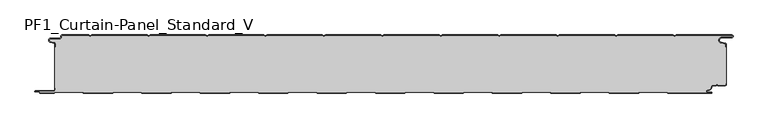
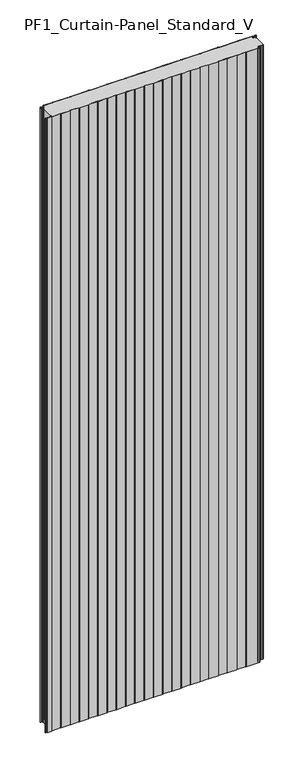
"""IFC4 building model written with IfcOpenShell, lengths in millimetres: plate geometry, PF1_Curtain-Panel_Standard_V."""

from ifc_helpers import new_model, si_unit, point, frame_2d, origin, origin_with_axes, place, context, project, spatial, polyline, circle_curve, trimmed, segment, composite_curve, outline, extrude, source, transform, mapped, element, save


def pf1_curtain_panel_standard_v_3d99085d(model_context):
    return source(origin(), model_context, "Body", "SweptSolid", [
        extrude(outline(composite_curve([segment(trimmed(circle_curve(frame_2d((-577.0, -15.878557)), 2.0), [point((-575.0, -15.878557))], [point((-576.5500978, -13.9298169))], True, "CARTESIAN"), True, "CONTINUOUS"), segment(polyline([(-576.5500978, -13.9298169), (-582.7098239, -12.507732)]), True, "CONTINUOUS"), segment(trimmed(circle_curve(frame_2d((-581.9, -9.0)), 3.6), [point((-582.7098239, -12.507732))], [point((-581.9, -5.4))], False, "CARTESIAN"), True, "CONTINUOUS"), segment(polyline([(-581.9, -5.4), (-566.4, -5.4)]), True, "CONTINUOUS"), segment(trimmed(circle_curve(frame_2d((-566.4, -3.4)), 2.0), [point((-566.4, -5.4))], [point((-564.4, -3.4))], True, "CARTESIAN"), True, "CONTINUOUS"), segment(polyline([(-564.4, -3.4), (-564.4, -2.0)]), True, "CONTINUOUS"), segment(trimmed(circle_curve(frame_2d((-562.4, -2.0)), 2.0), [point((-564.4, -2.0))], [point((-562.4, 0.0))], False, "CARTESIAN"), True, "CONTINUOUS"), segment(polyline([(-562.4, 0.0), (-517.0999995, 0.0), (-514.4, -1.5588455), (-511.7000005, 0.0), (-417.0999995, 0.0), (-414.4, -1.5588455), (-411.7000005, 0.0), (-317.0999995, 0.0), (-314.4, -1.5588455), (-311.7000005, 0.0), (-217.0999995, 0.0), (-214.4, -1.5588455), (-211.7000005, 0.0), (-117.0999995, 0.0), (-114.4, -1.5588455), (-111.7000005, 0.0), (-17.0999995, 0.0), (-14.4, -1.5588455), (-11.7000005, 0.0), (82.9000005, 0.0), (85.6, -1.5588455), (88.2999995, 0.0), (182.9000005, 0.0), (185.6, -1.5588455), (188.2999995, 0.0), (282.9000005, 0.0), (285.6, -1.5588455), (288.2999995, 0.0), (382.9000005, 0.0), (385.6, -1.5588455), (388.2999995, 0.0), (482.9000005, 0.0), (485.6, -1.5588455), (488.2999995, 0.0), (583.268846, 0.0)]), True, "CONTINUOUS"), segment(trimmed(circle_curve(frame_2d((583.268846, -2.5)), 2.5), [point((583.268846, 0.0))], [point((583.268846, -5.0))], False, "CARTESIAN"), True, "CONTINUOUS"), segment(polyline([(583.268846, -5.0), (566.268846, -5.0)]), True, "CONTINUOUS"), segment(trimmed(circle_curve(frame_2d((566.268846, -9.0)), 4.0), [point((566.268846, -5.0))], [point((565.574253, -12.939231))], True, "CARTESIAN"), True, "CONTINUOUS"), segment(polyline([(565.574253, -12.939231), (572.0203315, -14.0758491)]), True, "CONTINUOUS"), segment(trimmed(circle_curve(frame_2d((571.568846, -16.6363492)), 2.6), [point((572.0203315, -14.0758491))], [point((574.168846, -16.6363492))], False, "CARTESIAN"), True, "CONTINUOUS"), segment(polyline([(574.168846, -16.6363492), (574.168846, -20.0), (573.368846, -20.0), (573.368846, -16.6363492)]), True, "CONTINUOUS"), segment(trimmed(circle_curve(frame_2d((571.568846, -16.6363492)), 1.8), [point((573.368846, -16.6363492))], [point((571.8814129, -14.8636953))], True, "CARTESIAN"), True, "CONTINUOUS"), segment(polyline([(571.8814129, -14.8636953), (565.4353344, -13.7270772)]), True, "CONTINUOUS"), segment(trimmed(circle_curve(frame_2d((566.268846, -9.0)), 4.8), [point((565.4353344, -13.7270772))], [point((566.268846, -4.2))], False, "CARTESIAN"), True, "CONTINUOUS"), segment(polyline([(566.268846, -4.2), (583.268846, -4.2)]), True, "CONTINUOUS"), segment(trimmed(circle_curve(frame_2d((583.268846, -2.5)), 1.7), [point((583.268846, -4.2))], [point((583.268846, -0.8))], True, "CARTESIAN"), True, "CONTINUOUS"), segment(polyline([(583.268846, -0.8), (488.5143588, -0.8), (485.6, -2.482606), (482.6856412, -0.8), (388.5143588, -0.8), (385.6, -2.482606), (382.6856412, -0.8), (288.5143588, -0.8), (285.6, -2.482606), (282.6856412, -0.8), (188.5143588, -0.8), (185.6, -2.482606), (182.6856412, -0.8), (88.5143588, -0.8), (85.6, -2.482606), (82.6856412, -0.8), (-11.4856412, -0.8), (-14.4, -2.482606), (-17.3143588, -0.8), (-111.4856412, -0.8), (-114.4, -2.482606), (-117.3143588, -0.8), (-211.4856412, -0.8), (-214.4, -2.482606), (-217.3143588, -0.8), (-311.4856412, -0.8), (-314.4, -2.482606), (-317.3143588, -0.8), (-411.4856412, -0.8), (-414.4, -2.482606), (-417.3143588, -0.8), (-511.4856412, -0.8), (-514.4, -2.482606), (-517.3143588, -0.8), (-562.4, -0.8)]), True, "CONTINUOUS"), segment(trimmed(circle_curve(frame_2d((-562.4, -2.0)), 1.2), [point((-562.4, -0.8))], [point((-563.6, -2.0))], True, "CARTESIAN"), True, "CONTINUOUS"), segment(polyline([(-563.6, -2.0), (-563.6, -3.4)]), True, "CONTINUOUS"), segment(trimmed(circle_curve(frame_2d((-566.4, -3.4)), 2.8), [point((-563.6, -3.4))], [point((-566.4, -6.2))], False, "CARTESIAN"), True, "CONTINUOUS"), segment(polyline([(-566.4, -6.2), (-581.9, -6.2)]), True, "CONTINUOUS"), segment(trimmed(circle_curve(frame_2d((-581.9, -9.0)), 2.8), [point((-581.9, -6.2))], [point((-582.529863, -11.7282362))], True, "CARTESIAN"), True, "CONTINUOUS"), segment(polyline([(-582.529863, -11.7282362), (-576.370137, -13.150321)]), True, "CONTINUOUS"), segment(trimmed(circle_curve(frame_2d((-577.0, -15.878557)), 2.8), [point((-576.370137, -13.150321))], [point((-574.2, -15.878557))], False, "CARTESIAN"), True, "CONTINUOUS"), segment(polyline([(-574.2, -15.878557), (-574.2, -20.0), (-575.0, -20.0), (-575.0, -15.878557)]), True, "CONTINUOUS")], self_intersect=False)), origin_with_axes(), (0.0, 0.0, 1.0), 3500.0),
        extrude(outline(composite_curve([segment(polyline([(-574.2, -90.0), (-575.0, -90.0), (-575.0, -20.0), (-574.2, -20.0), (-574.2, -15.878557)]), True, "CONTINUOUS"), segment(trimmed(circle_curve(frame_2d((-577.0, -15.878557)), 2.8), [point((-574.2, -15.878557))], [point((-576.370137, -13.1503208))], True, "CARTESIAN"), True, "CONTINUOUS"), segment(polyline([(-576.370137, -13.1503208), (-582.529863, -11.7282362)]), True, "CONTINUOUS"), segment(trimmed(circle_curve(frame_2d((-581.9, -9.0)), 2.8), [point((-582.529863, -11.7282362))], [point((-581.9, -6.2))], False, "CARTESIAN"), True, "CONTINUOUS"), segment(polyline([(-581.9, -6.2), (-566.4, -6.2)]), True, "CONTINUOUS"), segment(trimmed(circle_curve(frame_2d((-566.4, -3.4)), 2.8), [point((-566.4, -6.2))], [point((-563.6, -3.4))], True, "CARTESIAN"), True, "CONTINUOUS"), segment(polyline([(-563.6, -3.4), (-563.6, -2.0)]), True, "CONTINUOUS"), segment(trimmed(circle_curve(frame_2d((-562.4, -2.0)), 1.2), [point((-563.6, -2.0))], [point((-562.4, -0.8))], False, "CARTESIAN"), True, "CONTINUOUS"), segment(polyline([(-562.4, -0.8), (-517.3143588, -0.8), (-514.4, -2.482606), (-511.4856412, -0.8), (-417.3143588, -0.8), (-414.4, -2.482606), (-411.4856412, -0.8), (-317.3143588, -0.8), (-314.4, -2.482606), (-311.4856412, -0.8), (-217.3143588, -0.8), (-214.4, -2.482606), (-211.4856412, -0.8), (-117.3143588, -0.8), (-114.4, -2.482606), (-111.4856412, -0.8), (-17.3143588, -0.8), (-14.4, -2.482606), (-11.4856412, -0.8), (82.6856412, -0.8), (85.6, -2.482606), (88.5143588, -0.8), (182.6856412, -0.8), (185.6, -2.482606), (188.5143588, -0.8), (282.6856412, -0.8), (285.6, -2.482606), (288.5143588, -0.8), (382.6856412, -0.8), (385.6, -2.482606), (388.5143588, -0.8), (482.6856412, -0.8), (485.6, -2.482606), (488.5143588, -0.8), (583.268846, -0.8)]), True, "CONTINUOUS"), segment(trimmed(circle_curve(frame_2d((583.268846, -2.5)), 1.7), [point((583.268846, -0.8))], [point((583.268846, -4.2))], False, "CARTESIAN"), True, "CONTINUOUS"), segment(polyline([(583.268846, -4.2), (566.268846, -4.2)]), True, "CONTINUOUS"), segment(trimmed(circle_curve(frame_2d((566.268846, -9.0)), 4.8), [point((566.268846, -4.2))], [point((565.4353344, -13.7270772))], True, "CARTESIAN"), True, "CONTINUOUS"), segment(polyline([(565.4353344, -13.7270772), (571.8814129, -14.8636953)]), True, "CONTINUOUS"), segment(trimmed(circle_curve(frame_2d((571.568846, -16.6363492)), 1.8), [point((571.8814129, -14.8636953))], [point((573.368846, -16.6363492))], False, "CARTESIAN"), True, "CONTINUOUS"), segment(polyline([(573.368846, -16.6363492), (573.368846, -20.0), (574.168846, -20.0), (574.168846, -83.0), (573.368846, -83.0), (573.368846, -84.4)]), True, "CONTINUOUS"), segment(trimmed(circle_curve(frame_2d((571.568846, -84.4)), 1.8), [point((573.368846, -84.4))], [point((571.568846, -86.2))], False, "CARTESIAN"), True, "CONTINUOUS"), segment(polyline([(571.568846, -86.2), (560.0002158, -86.2), (558.168846, -84.3686285), (556.3374762, -86.2), (550.168846, -86.2)]), True, "CONTINUOUS"), segment(trimmed(circle_curve(frame_2d((550.168846, -88.0)), 1.8), [point((550.168846, -86.2))], [point((548.368846, -88.0))], True, "CARTESIAN"), True, "CONTINUOUS"), segment(polyline([(548.368846, -88.0), (548.368846, -88.8276204)]), True, "CONTINUOUS"), segment(trimmed(circle_curve(frame_2d((542.9964664, -88.8276204)), 5.3723796), [point((548.368846, -88.8276204))], [point((542.9964664, -94.2))], False, "CARTESIAN"), True, "CONTINUOUS"), segment(polyline([(542.9964664, -94.2), (542.168846, -94.2)]), True, "CONTINUOUS"), segment(trimmed(circle_curve(frame_2d((542.168846, -96.4)), 2.2), [point((542.168846, -94.2))], [point((542.168846, -98.6))], True, "CARTESIAN"), True, "CONTINUOUS"), segment(polyline([(542.168846, -98.6), (548.0579973, -98.6)]), True, "CONTINUOUS"), segment(trimmed(circle_curve(frame_2d((548.0579973, -98.9)), 0.3), [point((548.0579973, -98.6))], [point((548.0579973, -99.2))], False, "CARTESIAN"), True, "CONTINUOUS"), segment(polyline([(548.0579973, -99.2), (474.2152562, -99.2), (471.6171786, -97.7), (426.3884624, -97.7), (423.7903848, -99.2), (374.2152562, -99.2), (371.6171786, -97.7), (326.3884624, -97.7), (323.7903848, -99.2), (274.2152562, -99.2), (271.6171786, -97.7), (226.3884624, -97.7), (223.7903848, -99.2), (174.2152562, -99.2), (171.6171786, -97.7), (126.3884624, -97.7), (123.7903848, -99.2), (74.2152562, -99.2), (71.6171786, -97.7), (26.3884624, -97.7), (23.7903848, -99.2), (-25.7847438, -99.2), (-28.3828214, -97.7), (-73.6115376, -97.7), (-76.2096152, -99.2), (-125.7847438, -99.2), (-128.3828214, -97.7), (-173.6115376, -97.7), (-176.2096152, -99.2), (-225.7847438, -99.2), (-228.3828214, -97.7), (-273.6115376, -97.7), (-276.2096152, -99.2), (-325.7847438, -99.2), (-328.3828214, -97.7), (-373.6115376, -97.7), (-376.2096152, -99.2), (-425.7847438, -99.2), (-428.3828214, -97.7), (-473.6115376, -97.7), (-476.2096152, -99.2), (-525.7847438, -99.2), (-528.3828214, -97.7), (-573.6115376, -97.7), (-576.2096152, -99.2), (-599.4, -99.2)]), True, "CONTINUOUS"), segment(trimmed(circle_curve(frame_2d((-599.4, -98.4)), 0.8), [point((-599.4, -99.2))], [point((-600.2, -98.4))], False, "CARTESIAN"), True, "CONTINUOUS"), segment(trimmed(circle_curve(frame_2d((-601.9, -98.6133333)), 1.7133333), [point((-600.2, -98.4))], [point((-601.9, -96.9))], True, "CARTESIAN"), True, "CONTINUOUS"), segment(polyline([(-601.9, -96.9), (-607.8700312, -96.9)]), True, "CONTINUOUS"), segment(trimmed(circle_curve(frame_2d((-607.8700312, -96.6)), 0.3), [point((-607.8700312, -96.9))], [point((-607.8700312, -96.3))], False, "CARTESIAN"), True, "CONTINUOUS"), segment(polyline([(-607.8700312, -96.3), (-577.0, -96.3)]), True, "CONTINUOUS"), segment(trimmed(circle_curve(frame_2d((-577.0, -93.5)), 2.8), [point((-577.0, -96.3))], [point((-574.2, -93.5))], True, "CARTESIAN"), True, "CONTINUOUS"), segment(polyline([(-574.2, -93.5), (-574.2, -90.0)]), True, "CONTINUOUS")], self_intersect=False)), origin_with_axes(), (0.0, 0.0, 1.0), 3500.0),
        extrude(outline(composite_curve([segment(polyline([(-575.0, -90.0), (-574.2, -90.0), (-574.2, -93.5)]), True, "CONTINUOUS"), segment(trimmed(circle_curve(frame_2d((-577.0, -93.5)), 2.8), [point((-574.2, -93.5))], [point((-577.0, -96.3))], False, "CARTESIAN"), True, "CONTINUOUS"), segment(polyline([(-577.0, -96.3), (-607.8700312, -96.3)]), True, "CONTINUOUS"), segment(trimmed(circle_curve(frame_2d((-607.8700312, -96.6)), 0.3), [point((-607.8700312, -96.3))], [point((-607.8700312, -96.9))], True, "CARTESIAN"), True, "CONTINUOUS"), segment(polyline([(-607.8700312, -96.9), (-601.9, -96.9)]), True, "CONTINUOUS"), segment(trimmed(circle_curve(frame_2d((-601.9, -98.6133333)), 1.7133333), [point((-601.9, -96.9))], [point((-600.2, -98.4))], False, "CARTESIAN"), True, "CONTINUOUS"), segment(trimmed(circle_curve(frame_2d((-599.4, -98.4)), 0.8), [point((-600.2, -98.4))], [point((-599.4, -99.2))], True, "CARTESIAN"), True, "CONTINUOUS"), segment(polyline([(-599.4, -99.2), (-576.2096152, -99.2), (-573.6115376, -97.7), (-528.3828214, -97.7), (-525.7847438, -99.2), (-476.2096152, -99.2), (-473.6115376, -97.7), (-428.3828214, -97.7), (-425.7847438, -99.2), (-376.2096152, -99.2), (-373.6115376, -97.7), (-328.3828214, -97.7), (-325.7847438, -99.2), (-276.2096152, -99.2), (-273.6115376, -97.7), (-228.3828214, -97.7), (-225.7847438, -99.2), (-176.2096152, -99.2), (-173.6115376, -97.7), (-128.3828214, -97.7), (-125.7847438, -99.2), (-76.2096152, -99.2), (-73.6115376, -97.7), (-28.3828214, -97.7), (-25.7847438, -99.2), (23.7903848, -99.2), (26.3884624, -97.7), (71.6171786, -97.7), (74.2152562, -99.2), (123.7903848, -99.2), (126.3884624, -97.7), (171.6171786, -97.7), (174.2152562, -99.2), (223.7903848, -99.2), (226.3884624, -97.7), (271.6171786, -97.7), (274.2152562, -99.2), (323.7903848, -99.2), (326.3884624, -97.7), (371.6171786, -97.7), (374.2152562, -99.2), (423.7903848, -99.2), (426.3884624, -97.7), (471.6171786, -97.7), (474.2152562, -99.2), (548.0579973, -99.2)]), True, "CONTINUOUS"), segment(trimmed(circle_curve(frame_2d((548.0579973, -98.9)), 0.3), [point((548.0579973, -99.2))], [point((548.0579973, -98.6))], True, "CARTESIAN"), True, "CONTINUOUS"), segment(polyline([(548.0579973, -98.6), (542.168846, -98.6)]), True, "CONTINUOUS"), segment(trimmed(circle_curve(frame_2d((542.168846, -96.4)), 2.2), [point((542.168846, -98.6))], [point((542.168846, -94.2))], False, "CARTESIAN"), True, "CONTINUOUS"), segment(polyline([(542.168846, -94.2), (542.9964664, -94.2)]), True, "CONTINUOUS"), segment(trimmed(circle_curve(frame_2d((542.9964664, -88.8276204)), 5.3723796), [point((542.9964664, -94.2))], [point((548.368846, -88.8276204))], True, "CARTESIAN"), True, "CONTINUOUS"), segment(polyline([(548.368846, -88.8276204), (548.368846, -88.0)]), True, "CONTINUOUS"), segment(trimmed(circle_curve(frame_2d((550.168846, -88.0)), 1.8), [point((548.368846, -88.0))], [point((550.168846, -86.2))], False, "CARTESIAN"), True, "CONTINUOUS"), segment(polyline([(550.168846, -86.2), (556.3374762, -86.2), (558.168846, -84.3686285), (560.0002158, -86.2), (571.568846, -86.2)]), True, "CONTINUOUS"), segment(trimmed(circle_curve(frame_2d((571.568846, -84.4)), 1.8), [point((571.568846, -86.2))], [point((573.368846, -84.4))], True, "CARTESIAN"), True, "CONTINUOUS"), segment(polyline([(573.368846, -84.4), (573.368846, -83.0), (574.168846, -83.0), (574.168846, -84.4)]), True, "CONTINUOUS"), segment(trimmed(circle_curve(frame_2d((571.568846, -84.4)), 2.6), [point((574.168846, -84.4))], [point((571.568846, -87.0))], False, "CARTESIAN"), True, "CONTINUOUS"), segment(polyline([(571.568846, -87.0), (559.6688448, -87.0), (558.168846, -85.4999999), (556.6688472, -87.0), (550.168846, -87.0)]), True, "CONTINUOUS"), segment(trimmed(circle_curve(frame_2d((550.168846, -88.0)), 1.0), [point((550.168846, -87.0))], [point((549.168846, -88.0))], True, "CARTESIAN"), True, "CONTINUOUS"), segment(polyline([(549.168846, -88.0), (549.168846, -88.8276204)]), True, "CONTINUOUS"), segment(trimmed(circle_curve(frame_2d((542.9964664, -88.8276204)), 6.1723796), [point((549.168846, -88.8276204))], [point((542.9964664, -95.0))], False, "CARTESIAN"), True, "CONTINUOUS"), segment(polyline([(542.9964664, -95.0), (542.168846, -95.0)]), True, "CONTINUOUS"), segment(trimmed(circle_curve(frame_2d((542.168846, -96.5)), 1.5), [point((542.168846, -95.0))], [point((542.168846, -98.0))], True, "CARTESIAN"), True, "CONTINUOUS"), segment(polyline([(542.168846, -98.0), (548.168846, -98.0)]), True, "CONTINUOUS"), segment(trimmed(circle_curve(frame_2d((548.168846, -99.0)), 1.0), [point((548.168846, -98.0))], [point((548.168846, -100.0))], False, "CARTESIAN"), True, "CONTINUOUS"), segment(polyline([(548.168846, -100.0), (474.0008969, -100.0), (471.4028193, -98.5), (426.6028217, -98.5), (424.0047441, -100.0), (374.0008969, -100.0), (371.4028193, -98.5), (326.6028217, -98.5), (324.0047441, -100.0), (274.0008969, -100.0), (271.4028193, -98.5), (226.6028217, -98.5), (224.0047441, -100.0), (174.0008969, -100.0), (171.4028193, -98.5), (126.6028217, -98.5), (124.0047441, -100.0), (74.0008969, -100.0), (71.4028193, -98.5), (26.6028217, -98.5), (24.0047441, -100.0), (-25.9991031, -100.0), (-28.5971807, -98.5), (-73.3971783, -98.5), (-75.9952559, -100.0), (-125.9991031, -100.0), (-128.5971807, -98.5), (-173.3971783, -98.5), (-175.9952559, -100.0), (-225.9991031, -100.0), (-228.5971807, -98.5), (-273.3971783, -98.5), (-275.9952559, -100.0), (-325.9991031, -100.0), (-328.5971807, -98.5), (-373.3971783, -98.5), (-375.9952559, -100.0), (-425.9991031, -100.0), (-428.5971807, -98.5), (-473.3971783, -98.5), (-475.9952559, -100.0), (-525.9991031, -100.0), (-528.5971807, -98.5), (-573.3971783, -98.5), (-575.9952559, -100.0), (-599.4, -100.0)]), True, "CONTINUOUS"), segment(trimmed(circle_curve(frame_2d((-599.4, -98.4)), 1.6), [point((-599.4, -100.0))], [point((-601.0, -98.4))], False, "CARTESIAN"), True, "CONTINUOUS"), segment(trimmed(circle_curve(frame_2d((-601.9, -98.4)), 0.9), [point((-601.0, -98.4))], [point((-601.9, -97.5))], True, "CARTESIAN"), True, "CONTINUOUS"), segment(polyline([(-601.9, -97.5), (-608.0, -97.5)]), True, "CONTINUOUS"), segment(trimmed(circle_curve(frame_2d((-608.0, -96.5)), 1.0), [point((-608.0, -97.5))], [point((-608.0, -95.5))], False, "CARTESIAN"), True, "CONTINUOUS"), segment(polyline([(-608.0, -95.5), (-577.0, -95.5)]), True, "CONTINUOUS"), segment(trimmed(circle_curve(frame_2d((-577.0, -93.5)), 2.0), [point((-577.0, -95.5))], [point((-575.0, -93.5))], True, "CARTESIAN"), True, "CONTINUOUS"), segment(polyline([(-575.0, -93.5), (-575.0, -90.0)]), True, "CONTINUOUS")], self_intersect=False)), origin_with_axes(), (0.0, 0.0, 1.0), 3500.0),
    ])


if __name__ == "__main__":
    model = new_model("IFC4")
    model_context = context("Model", 3, world=origin())
    ifc_project = project(units=[si_unit("LENGTHUNIT", "METRE", prefix="MILLI")], contexts=[model_context])
    site = spatial("IfcSite", under=ifc_project)
    building = spatial("IfcBuilding", under=site)
    placement = place(None, origin())
    pf1_curtain_panel_standard_v_shape = pf1_curtain_panel_standard_v_3d99085d(model_context)
    element("IfcPlate", 1, ObjectType="PF1_Curtain-Panel_Standard_V", at=placement, inside=building, context=model_context, shape_type="MappedRepresentation", body=[
        mapped(pf1_curtain_panel_standard_v_shape, transform((0.0, 0.0, 0.0), x_axis=(1.0, 0.0, 0.0), y_axis=(0.0, 1.0, 0.0), z_axis=(0.0, 0.0, 1.0))),
    ])
    save(model, "model.ifc")
